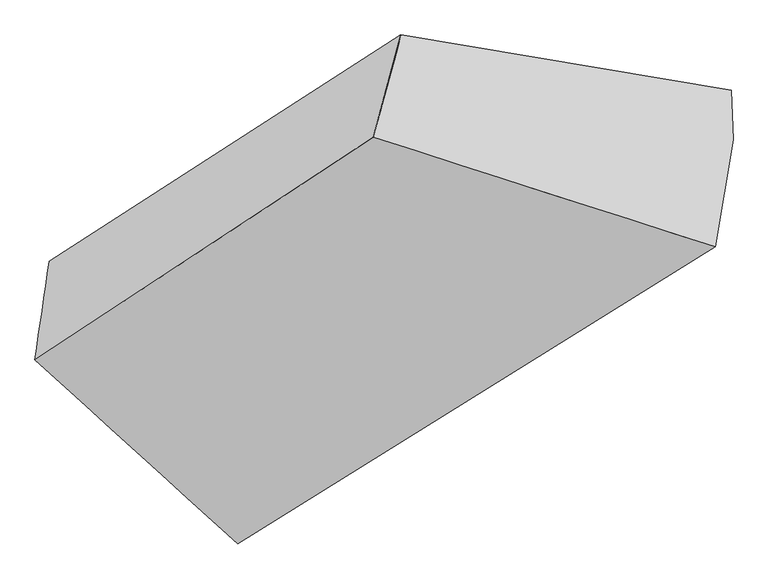
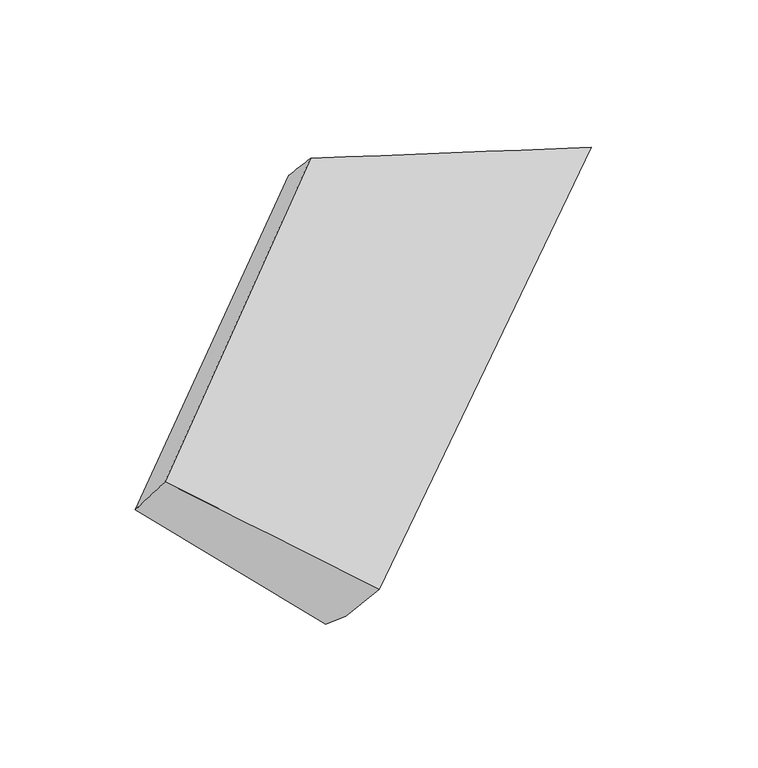
"""IFC4 building model written with IfcOpenShell, lengths in millimetres: proxy geometry."""

from ifc_helpers import new_model, si_unit, frame, origin, place, context, project, spatial, source, transform, mapped, element, save
from ifc_brep_helpers import plane_surface, spline_surface, advanced_brep


def generic_models_96967f1d(model_context):
    return source(origin(), model_context, "Body", "AdvancedBrep", [
        advanced_brep(
        [(-3593.8633827, -1544.4543919, 1655.9471736), (-3628.2050031, -1783.5270856, 1916.4663602), (-2809.1980854, -1244.6441995, 2496.6433276), (-2742.2688899, -996.9892385, 2260.023372), (-3112.7365046, -1861.9580614, 1258.8220711), (-1942.6165649, -1130.2918793, 2069.5367422), (-3108.8833072, -1977.3712957, 1355.7638206), (-1938.6116824, -1250.2484753, 2170.2947043), (-3137.5078544, -2227.9157683, 1618.393518), (-1982.2076152, -1509.7991843, 2408.1827966)],
        [
            (0, 1),
            (1, 2),
            (2, 3),
            (3, 0),
            (4, 0),
            (0, 5),
            (5, 4),
            (6, 4),
            (5, 7),
            (7, 6),
            (8, 6),
            (7, 9),
            (9, 8),
            (1, 8),
            (9, 2),
            (5, 3),
        ],
        [
            spline_surface(1, 1, [[(-3593.8633827, -1544.4543919, 1655.9471736), (-2742.2688899, -996.9892385, 2260.023372)], [(-3628.2050031, -1783.5270856, 1916.4663602), (-2809.1980854, -1244.6441995, 2496.6433276)]], [2, 2], [2, 2], [0.0, 1.0], [0.0, 1.0]),
            plane_surface(frame((-3353.2999436, -1703.2062267, 1457.3846223), z_axis=(-0.029596109116653446, 0.7629200061914315, -0.6458150931017494), x_axis=(-0.6873241115491685, 0.4535766706731341, 0.5673215750385503))),
            plane_surface(frame((-3110.8099059, -1919.6646786, 1307.2929459), z_axis=(0.6816572188260199, -0.4571130213042452, -0.5713065042308554), x_axis=(-0.025556132418348834, 0.7654723085785361, -0.6429611410460684))),
            spline_surface(1, 1, [[(-3137.5078544, -2227.9157683, 1618.393518), (-1982.2076152, -1509.7991843, 2408.1827966)], [(-3108.8833072, -1977.3712957, 1355.7638206), (-1938.6116824, -1250.2484753, 2170.2947043)]], [2, 2], [2, 2], [0.0, 1.0], [0.0, 1.0]),
            spline_surface(1, 1, [[(-3628.2050031, -1783.5270856, 1916.4663602), (-2809.1980854, -1244.6441995, 2496.6433276)], [(-3137.5078544, -2227.9157683, 1618.393518), (-1982.2076152, -1509.7991843, 2408.1827966)]], [2, 2], [2, 2], [0.0, 1.0], [0.0, 1.0]),
            plane_surface(frame((-2282.9805675, -1226.3945954, 2280.9361885), z_axis=(0.27801418615032714, 0.6232407479996132, 0.7309439666158097), x_axis=(-0.025556132418348834, 0.7654723085785361, -0.6429611410460684))),
            plane_surface(frame((-3316.2392104, -1879.0453206, 1561.0785887), z_axis=(-0.7259011294790553, -0.45642124032530285, -0.5145359089518865), x_axis=(0.096667816231725, 0.672962862587214, -0.7333323386319548))),
            plane_surface(frame((-3593.8633827, -1544.4543919, 1655.9471736), z_axis=(-0.027984354041832082, 0.759997413070879, -0.6493233463032366), x_axis=(-0.9602369480471925, 0.1600722175529752, 0.22873978397446804))),
        ],
        [
            (0, [[1, 2, 3, 4]]),
            (1, [[5, 6, 7]]),
            (2, [[8, -7, 9, 10]]),
            (3, [[11, -10, 12, 13]]),
            (4, [[14, -13, 15, -2]]),
            (5, [[-9, 16, -3, -15, -12]]),
            (6, [[-1, -5, -8, -11, -14]]),
            (7, [[-16, -6, -4]]),
        ],
    ),
    ])


if __name__ == "__main__":
    model = new_model("IFC4")
    model_context = context("Model", 3, world=origin())
    ifc_project = project(units=[si_unit("LENGTHUNIT", "METRE", prefix="MILLI")], contexts=[model_context])
    site = spatial("IfcSite", under=ifc_project)
    building = spatial("IfcBuilding", under=site)
    placement = place(None, origin())
    generic_models_shape = generic_models_96967f1d(model_context)
    element("IfcBuildingElementProxy", 1, Name="Generic Models", at=placement, inside=building, context=model_context, shape_type="MappedRepresentation", body=[
        mapped(generic_models_shape, transform((0.0, 0.0, 0.0), x_axis=(1.0, 0.0, 0.0), y_axis=(0.0, 1.0, 0.0), z_axis=(0.0, 0.0, 1.0))),
    ])
    save(model, "model.ifc")
